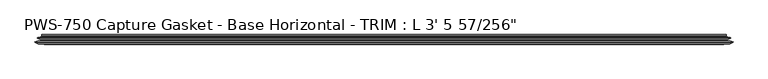
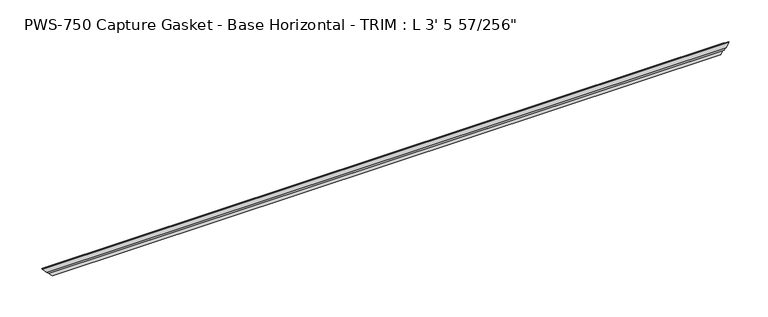
"""IFC4 building model written with IfcOpenShell, lengths in millimetres: proxy geometry."""

from ifc_helpers import new_model, si_unit, origin, place, context, project, spatial, faceted_brep, source, transform, mapped, element, save


def proxy_1c5636a2(model_context):
    return source(origin(), model_context, "Body", "Brep", [
        faceted_brep([(1036.5374583, 11.3058688, 3.7741579), (10.5180104, 11.3058688, 3.7741579), (9.9694015, 10.5185521, 4.3227669), (1037.0860673, 10.5185521, 4.3227669), (6.8541528, 10.1484847, 7.4380156), (1040.201316, 10.1484847, 7.4380156), (8.1534683, 11.2380874, 6.1387001), (1038.9020005, 11.2380874, 6.1387001), (4.2087587, 9.8326365, 10.0834097), (1042.8467101, 9.8326365, 10.0834097), (3.6194015, 9.077363, 10.6727669), (1043.4360673, 9.077363, 10.6727669), (4.2455601, 8.3570499, 10.0466082), (1042.8099086, 8.3570499, 10.0466082), (8.1534683, 6.964711, 6.1387001), (1038.9020005, 6.964711, 6.1387001), (6.8541528, 8.0543136, 7.4380156), (1040.201316, 8.0543136, 7.4380156), (9.9694015, 7.6842462, 4.3227669), (1037.0860673, 7.6842462, 4.3227669), (9.9694015, 4.8395867, 4.3227669), (1037.0860673, 4.8395867, 4.3227669), (4.3825047, 4.8395867, 9.9096637), (1042.6729641, 4.8395867, 9.9096637), (0.0, 3.7618735, 14.2921683), (1047.0554688, 3.7618735, 14.2921683), (0.2465562, 2.7592562, 14.0456121), (1046.8089125, 2.7592562, 14.0456121), (5.3486143, 0.3893608, 8.9435541), (1041.7068545, 0.3893608, 8.9435541), (3.2925728, 2.4454023, 10.9995955), (1043.7628959, 2.4454023, 10.9995955), (5.4593479, 2.4454023, 8.8328204), (1041.5961208, 2.4454023, 8.8328204), (8.4293132, 0.3893608, 5.8628551), (1038.6261556, 0.3893608, 5.8628551), (6.5862777, 2.6340331, 7.7058906), (1040.4691911, 2.6340331, 7.7058906), (9.6912611, 2.3338527, 4.6009073), (1037.3642077, 2.3338527, 4.6009073), (13.9270181, 0.0, 0.3651502), (1033.1284507, 0.0, 0.3651502), (14.2921683, 0.7787217, 0.0), (1032.7633004, 0.7787217, 0.0), (11.7400908, 3.3307993, 2.5520776), (1035.315378, 3.3307993, 2.5520776), (11.3945114, 13.0602862, 2.897657), (1035.6609574, 13.0602862, 2.897657), (10.0363127, 14.4184849, 4.2558556), (1037.0191561, 14.4184849, 4.2558556), (10.0363127, 13.3109165, 4.2558556), (1037.0191561, 13.3109165, 4.2558556)], [[[0, 1, 2, 3]], [[3, 2, 4, 5]], [[5, 4, 6, 7]], [[7, 6, 8, 9]], [[9, 8, 10, 11]], [[11, 10, 12, 13]], [[13, 12, 14, 15]], [[15, 14, 16, 17]], [[17, 16, 18, 19]], [[19, 18, 20, 21]], [[21, 20, 22, 23]], [[24, 25, 23, 22]], [[25, 24, 26, 27]], [[27, 26, 28, 29]], [[29, 28, 30, 31]], [[31, 30, 32, 33]], [[33, 32, 34, 35]], [[35, 34, 36, 37]], [[37, 36, 38, 39]], [[39, 38, 40, 41]], [[41, 40, 42, 43]], [[43, 42, 44, 45]], [[45, 44, 46, 47]], [[47, 46, 48, 49]], [[49, 48, 50, 51]], [[1, 0, 51, 50]], [[0, 3, 5, 7, 9, 11, 13, 15, 17, 19, 21, 23, 25, 27, 29, 31, 33, 35, 37, 39, 41, 43, 45, 47, 49, 51]], [[2, 1, 50, 48, 46, 44, 42, 40, 38, 36, 34, 32, 30, 28, 26, 24, 22, 20, 18, 16, 14, 12, 10, 8, 6, 4]]]),
    ])


if __name__ == "__main__":
    model = new_model("IFC4")
    model_context = context("Model", 3, world=origin())
    ifc_project = project(units=[si_unit("LENGTHUNIT", "METRE", prefix="MILLI")], contexts=[model_context])
    site = spatial("IfcSite", under=ifc_project)
    building = spatial("IfcBuilding", under=site)
    placement = place(None, origin())
    proxy_shape = proxy_1c5636a2(model_context)
    element("IfcBuildingElementProxy", 1, Name="PWS-750 Capture Gasket - Base Horizontal - TRIM : L 3' 5 57/256\"", ObjectType="PWS-750 Capture Gasket - Base Horizontal - TRIM : L 3' 5 57/256\"", at=placement, inside=building, context=model_context, shape_type="MappedRepresentation", body=[
        mapped(proxy_shape, transform((0.0, 0.0, 0.0), x_axis=(1.0, 0.0, 0.0), y_axis=(0.0, 1.0, 0.0), z_axis=(0.0, 0.0, 1.0))),
    ])
    save(model, "model.ifc")
